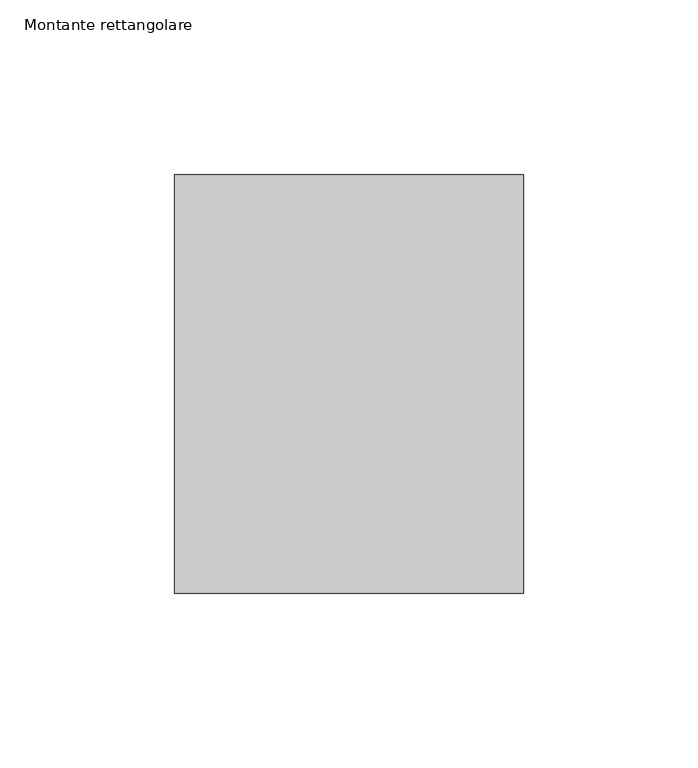
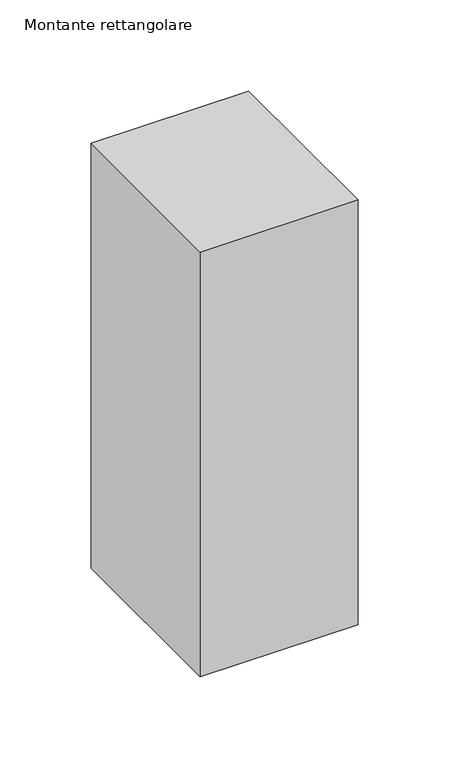
"""IFC4 building model written with IfcOpenShell, lengths in millimetres: member geometry, Montante rettangolare."""

from ifc_helpers import new_model, si_unit, frame, origin, place, context, project, spatial, polyline, outline, extrude, source, transform, mapped, element, save


def montante_rettangolare_bb9f9f29(model_context):
    return source(origin(), model_context, "Body", "SweptSolid", [
        extrude(outline(polyline([(50.0, 60.0), (50.0, -60.0), (-50.0, -60.0), (-50.0, 60.0), (50.0, 60.0)])), frame((0.0, 0.0, -284.5864064), z_axis=(0.0, 0.0, 1.0), x_axis=(1.0, 0.0, 0.0)), (0.0, 0.0, 1.0), 284.5864064),
    ])


if __name__ == "__main__":
    model = new_model("IFC4")
    model_context = context("Model", 3, world=origin())
    ifc_project = project(units=[si_unit("LENGTHUNIT", "METRE", prefix="MILLI")], contexts=[model_context])
    site = spatial("IfcSite", under=ifc_project)
    building = spatial("IfcBuilding", under=site)
    placement = place(None, origin())
    montante_rettangolare_shape = montante_rettangolare_bb9f9f29(model_context)
    element("IfcMember", 1, ObjectType="Montante rettangolare", at=placement, inside=building, context=model_context, shape_type="MappedRepresentation", body=[
        mapped(montante_rettangolare_shape, transform((0.0, 0.0, 0.0), x_axis=(1.0, 0.0, 0.0), y_axis=(0.0, 1.0, 0.0), z_axis=(0.0, 0.0, 1.0))),
    ])
    save(model, "model.ifc")
